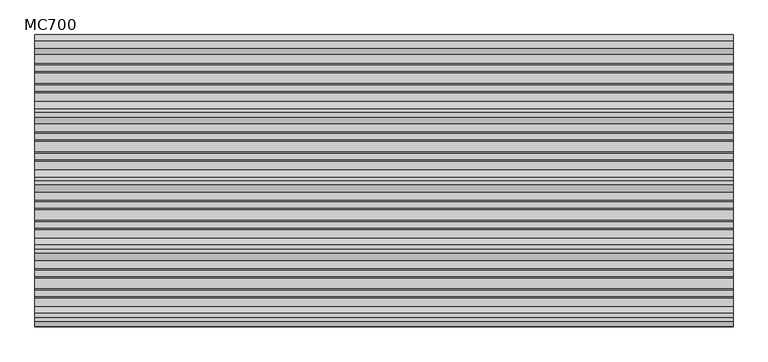
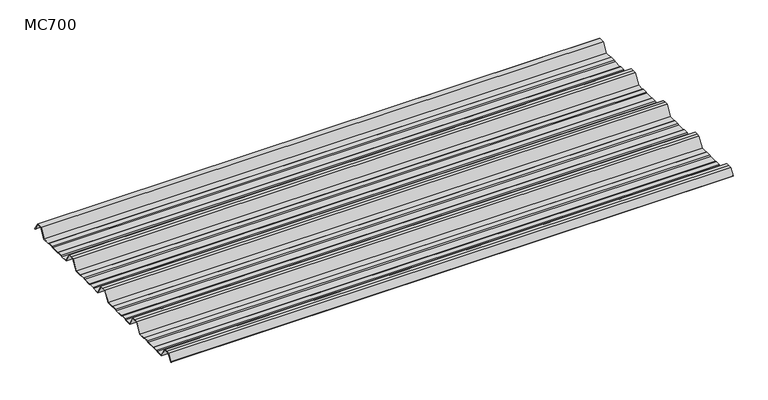
"""IFC4 building model written with IfcOpenShell, lengths in millimetres: beam geometry, MC700."""

from ifc_helpers import new_model, si_unit, point, frame, frame_2d, origin, place, context, project, spatial, polyline, circle_curve, trimmed, segment, composite_curve, outline, extrude, source, transform, mapped, element, save


def mc700_c5d29af6(model_context):
    return source(origin(), model_context, "Body", "SweptSolid", [
        extrude(outline(composite_curve([segment(polyline([(-279.7790109, -25.7896475), (-284.1593286, -23.7494212), (-300.5873198, -23.7494212), (-303.802364, -25.7896475), (-326.5000016, -25.7896475), (-344.5745116, 5.2103525), (-355.0, 5.2103525), (-365.4254884, 5.2103525), (-383.4999984, -25.7896475), (-406.197636, -25.7896475), (-409.4126802, -23.7494212), (-425.8406714, -23.7494212), (-430.2209891, -25.7896475), (-457.2790109, -25.7896475), (-461.6593286, -23.7494212), (-478.0873198, -23.7494212), (-481.302364, -25.7896475), (-504.0000016, -25.7896475), (-522.0745116, 5.2103525), (-532.5, 5.2103525), (-542.9254884, 5.2103525), (-560.9999984, -25.7896475), (-583.697636, -25.7896475), (-586.9126802, -23.7494212), (-603.3406714, -23.7494212), (-607.7209891, -25.7896475), (-634.7790109, -25.7896475), (-639.1593286, -23.7494212), (-655.5873198, -23.7494212), (-658.802364, -25.7896475), (-681.5000016, -25.7896475), (-699.5745116, 5.2103525), (-710.0, 5.2103525), (-720.4254884, 5.2103525), (-732.728303, -15.8904825)]), True, "CONTINUOUS"), segment(trimmed(circle_curve(frame_2d((-733.160246, -15.6386387)), 0.5), [point((-732.728303, -15.8904825))], [point((-733.5921889, -15.3867949))], False, "CARTESIAN"), True, "CONTINUOUS"), segment(polyline([(-733.5921889, -15.3867949), (-721.0, 6.2103525), (-710.0, 6.2103525), (-699.0, 6.2103525), (-680.92549, -24.7896475), (-659.0928785, -24.7896475), (-655.8778343, -22.7494212), (-638.9378651, -22.7494212), (-634.5575473, -24.7896475), (-607.9424527, -24.7896475), (-603.5621349, -22.7494212), (-586.6221657, -22.7494212), (-583.4071215, -24.7896475), (-561.57451, -24.7896475), (-543.5, 6.2103525), (-532.5, 6.2103525), (-521.5, 6.2103525), (-503.42549, -24.7896475), (-481.5928785, -24.7896475), (-478.3778343, -22.7494212), (-461.4378651, -22.7494212), (-457.0575473, -24.7896475), (-430.4424527, -24.7896475), (-426.0621349, -22.7494212), (-409.1221657, -22.7494212), (-405.9071215, -24.7896475), (-384.07451, -24.7896475), (-366.0, 6.2103525), (-355.0, 6.2103525), (-344.0, 6.2103525), (-325.92549, -24.7896475), (-304.0928785, -24.7896475), (-300.8778343, -22.7494212), (-283.9378651, -22.7494212), (-279.5575473, -24.7896475), (-252.9424527, -24.7896475), (-248.5621349, -22.7494212), (-231.6221657, -22.7494212), (-228.4071215, -24.7896475), (-206.57451, -24.7896475), (-188.5, 6.2103525), (-177.5, 6.2103525), (-166.5, 6.2103525), (-148.42549, -24.7896475), (-126.5928785, -24.7896475), (-123.3778343, -22.7494212), (-106.4378651, -22.7494212), (-102.0575473, -24.7896475), (-75.4424527, -24.7896475), (-71.0621349, -22.7494212), (-54.1221657, -22.7494212), (-50.9071215, -24.7896475), (-26.7593894, -24.7896475), (-9.8509769, 4.2103525), (9.8509769, 4.2103525), (24.2964926, -20.5654776)]), True, "CONTINUOUS"), segment(trimmed(circle_curve(frame_2d((23.8645497, -20.8173214)), 0.5), [point((24.2964926, -20.5654776))], [point((23.4326067, -21.0691651))], False, "CARTESIAN"), True, "CONTINUOUS"), segment(polyline([(23.4326067, -21.0691651), (9.2764653, 3.2103525), (-9.2764653, 3.2103525), (-26.1848779, -25.7896475), (-51.197636, -25.7896475), (-54.4126802, -23.7494212), (-70.8406714, -23.7494212), (-75.2209891, -25.7896475), (-102.2790109, -25.7896475), (-106.6593286, -23.7494212), (-123.0873198, -23.7494212), (-126.302364, -25.7896475), (-149.0000016, -25.7896475), (-167.0745116, 5.2103525), (-177.5, 5.2103525), (-187.9254884, 5.2103525), (-205.9999984, -25.7896475), (-228.697636, -25.7896475), (-231.9126802, -23.7494212), (-248.3406714, -23.7494212), (-252.7209891, -25.7896475), (-279.7790109, -25.7896475)]), True, "CONTINUOUS")], self_intersect=False)), frame((-905.0, 0.0, 0.0), z_axis=(1.0, 0.0, 0.0), x_axis=(0.0, 1.0, 0.0)), (0.0, 0.0, 1.0), 1810.0),
    ])


if __name__ == "__main__":
    model = new_model("IFC4")
    model_context = context("Model", 3, world=origin())
    ifc_project = project(units=[si_unit("LENGTHUNIT", "METRE", prefix="MILLI")], contexts=[model_context])
    site = spatial("IfcSite", under=ifc_project)
    building = spatial("IfcBuilding", under=site)
    placement = place(None, origin())
    mc700_shape = mc700_c5d29af6(model_context)
    element("IfcBeam", 1, ObjectType="MC700", at=placement, inside=building, context=model_context, shape_type="MappedRepresentation", body=[
        mapped(mc700_shape, transform((0.0, 0.0, 0.0), x_axis=(1.0, 0.0, 0.0), y_axis=(0.0, 1.0, 0.0), z_axis=(0.0, 0.0, 1.0))),
    ])
    save(model, "model.ifc")
